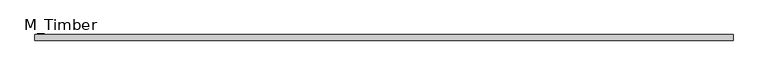
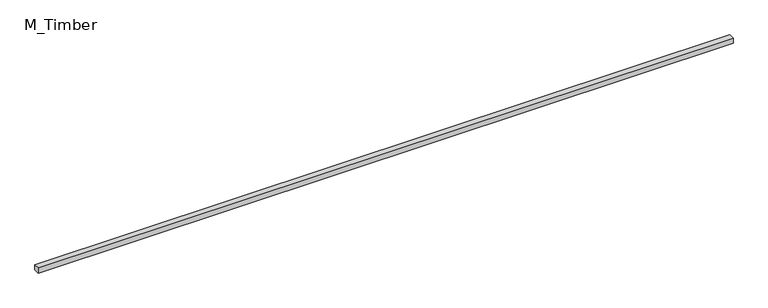
"""IFC4 building model written with IfcOpenShell, lengths in millimetres: beam geometry, M_Timber."""

from ifc_helpers import new_model, si_unit, frame, origin, place, context, project, spatial, polyline, outline, extrude, source, transform, mapped, element, save


def m_timber_e9d098f1(model_context):
    return source(origin(), model_context, "Body", "SweptSolid", [
        extrude(outline(polyline([(2487.1058142, 20.0), (2487.1058142, -20.0), (-2487.1058142, -20.0), (-2487.1058142, 20.0), (2487.1058142, 20.0)])), frame((0.0, 0.0, -20.0), z_axis=(0.0, 0.0, 1.0), x_axis=(1.0, 0.0, 0.0)), (0.0, 0.0, 1.0), 40.0),
    ])


if __name__ == "__main__":
    model = new_model("IFC4")
    model_context = context("Model", 3, world=origin())
    ifc_project = project(units=[si_unit("LENGTHUNIT", "METRE", prefix="MILLI")], contexts=[model_context])
    site = spatial("IfcSite", under=ifc_project)
    building = spatial("IfcBuilding", under=site)
    placement = place(None, origin())
    m_timber_shape = m_timber_e9d098f1(model_context)
    element("IfcBeam", 1, ObjectType="M_Timber", at=placement, inside=building, context=model_context, shape_type="MappedRepresentation", body=[
        mapped(m_timber_shape, transform((0.0, 0.0, 0.0), x_axis=(1.0, 0.0, 0.0), y_axis=(0.0, 1.0, 0.0), z_axis=(0.0, 0.0, 1.0))),
    ])
    save(model, "model.ifc")
